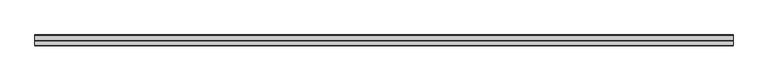
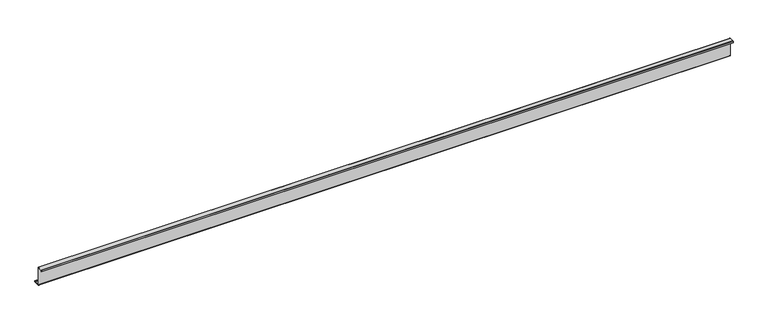
"""IFC4 building model written with IfcOpenShell, lengths in millimetres: member geometry."""

import ifcopenshell
import ifcopenshell.guid

model = None  # the IFC model being written
_history = None  # IfcOwnerHistory: only IFC2X3 demands one
_inside = {}  # id of a spatial element -> (the spatial element, [elements in it])
_under = {}  # id of a project, library or spatial element -> (it, [spatial elements below it])
_declared = {}  # id of a project -> (the project, [libraries it declares])
_typed = {}  # id of a type object -> (the type object, [elements of that type])
_made_of = {}  # id of a material, layer set ... -> (it, [elements and type objects made of it])


def new_model(schema):
    """Start an empty IFC model of exactly this schema.

    Asked for "IFC4X3", IfcOpenShell would pick the latest addendum, in which some entities
    have other attributes; the version numbers below select the first issue.
    IFC2X3 requires an IfcOwnerHistory on every rooted entity: one is made here for all.
    """
    global model, _history
    if schema == "IFC4X3":
        model = ifcopenshell.file(schema_version=(4, 3, 0, 0))
    else:
        model = ifcopenshell.file(schema=schema)
    _inside.clear()
    _under.clear()
    _declared.clear()
    _typed.clear()
    _made_of.clear()
    _history = None
    if model.schema == "IFC2X3":
        org = make("IfcOrganization", Name="unknown")
        user = make(
            "IfcPersonAndOrganization",
            ThePerson=make("IfcPerson", FamilyName="unknown"),
            TheOrganization=org,
        )
        app = make(
            "IfcApplication",
            ApplicationDeveloper=org,
            Version="unknown",
            ApplicationFullName="unknown",
            ApplicationIdentifier="unknown",
        )
        _history = make(
            "IfcOwnerHistory",
            OwningUser=user,
            OwningApplication=app,
            ChangeAction="ADDED",
            CreationDate=0,
        )
    return model


def make(cls, **values):
    """One entity of the class cls with the attributes given. An attribute that is None is left unset."""
    return model.create_entity(
        cls, **{name: value for name, value in values.items() if value is not None}
    )


def rooted(cls, **values):
    """An entity with a GlobalId (a new one), such as an element, a storey or a relation."""
    return make(cls, GlobalId=ifcopenshell.guid.new(), OwnerHistory=_history, **values)


def si_unit(unit_type, name, prefix=None):
    """IfcSIUnit, for example si_unit("LENGTHUNIT", "METRE", prefix="MILLI")."""
    return make("IfcSIUnit", UnitType=unit_type, Prefix=prefix, Name=name)


def assignment(units):
    """IfcUnitAssignment: the units of a project."""
    return None if units is None else make("IfcUnitAssignment", Units=units)


def point(xyz):
    """IfcCartesianPoint."""
    return None if xyz is None else make("IfcCartesianPoint", Coordinates=xyz)


def direction(xyz):
    """IfcDirection."""
    return None if xyz is None else make("IfcDirection", DirectionRatios=xyz)


def frame(location, z_axis=None, x_axis=None):
    """IfcAxis2Placement3D, a coordinate frame: its origin and axes. An axis left out is left unset."""
    return make(
        "IfcAxis2Placement3D",
        Location=point(location),
        Axis=direction(z_axis),
        RefDirection=direction(x_axis),
    )


def frame_2d(location, x_axis=None):
    """IfcAxis2Placement2D, a coordinate frame in the plane: its origin and x axis."""
    return make(
        "IfcAxis2Placement2D", Location=point(location), RefDirection=direction(x_axis)
    )


def origin():
    """The frame at (0, 0, 0) with its axes left unset."""
    return frame((0.0, 0.0, 0.0))


def place(relative_to, where):
    """IfcLocalPlacement: puts the frame where relative to a parent placement (None: the world)."""
    return make(
        "IfcLocalPlacement", PlacementRelTo=relative_to, RelativePlacement=where
    )


def context(
    kind, dimensions, precision=None, world=None, true_north=None, identifier=None
):
    """IfcGeometricRepresentationContext, for example the 3D "Model" context."""
    return make(
        "IfcGeometricRepresentationContext",
        ContextIdentifier=identifier,
        ContextType=kind,
        CoordinateSpaceDimension=dimensions,
        Precision=precision,
        WorldCoordinateSystem=world,
        TrueNorth=true_north,
    )


def project(units=None, contexts=None):
    """IfcProject with its units and contexts."""
    return rooted(
        "IfcProject",
        Name="project",
        RepresentationContexts=contexts,
        UnitsInContext=assignment(units),
    )


def spatial(cls, under=None, at=None, **own):
    """A site, building, storey or space (cls), placed at a placement, below another one or the project."""
    s = rooted(cls, ObjectPlacement=at, **own)
    if under is not None:
        _under.setdefault(under.id(), (under, []))[1].append(s)
    return s


def polyline(points):
    """IfcPolyline through the points."""
    return make("IfcPolyline", Points=[point(p) for p in points])


def circle_curve(where, radius):
    """IfcCircle in the frame where."""
    return make("IfcCircle", Position=where, Radius=radius)


def trimmed(basis, trim1, trim2, sense, master):
    """IfcTrimmedCurve: the piece of a basis curve between two trims."""
    return make(
        "IfcTrimmedCurve",
        BasisCurve=basis,
        Trim1=trim1,
        Trim2=trim2,
        SenseAgreement=sense,
        MasterRepresentation=master,
    )


def segment(curve, same_sense, transition):
    """IfcCompositeCurveSegment."""
    return make(
        "IfcCompositeCurveSegment",
        Transition=transition,
        SameSense=same_sense,
        ParentCurve=curve,
    )


def composite_curve(segments, self_intersect=None):
    """IfcCompositeCurve: segments joined end to end."""
    return make("IfcCompositeCurve", Segments=segments, SelfIntersect=self_intersect)


def outline(outer, holes=None, kind="AREA"):
    """IfcArbitraryClosedProfileDef: a profile drawn as a closed curve; with holes, ...WithVoids."""
    if holes is None:
        return make("IfcArbitraryClosedProfileDef", ProfileType=kind, OuterCurve=outer)
    return make(
        "IfcArbitraryProfileDefWithVoids",
        ProfileType=kind,
        OuterCurve=outer,
        InnerCurves=holes,
    )


def extrude(swept, where, along, depth):
    """IfcExtrudedAreaSolid: the profile swept, set in the frame where, extruded along a direction by depth."""
    return make(
        "IfcExtrudedAreaSolid",
        SweptArea=swept,
        Position=where,
        ExtrudedDirection=direction(along),
        Depth=depth,
    )


def shape(context_of_items, identifier, shape_type, items):
    """IfcShapeRepresentation: the items that make up one representation, for example the "Body"."""
    return make(
        "IfcShapeRepresentation",
        ContextOfItems=context_of_items,
        RepresentationIdentifier=identifier,
        RepresentationType=shape_type,
        Items=items,
    )


def source(mapping_origin, context_of_items, identifier, shape_type, items):
    """IfcRepresentationMap: a shape defined once, which mapped items show again and again."""
    return make(
        "IfcRepresentationMap",
        MappingOrigin=mapping_origin,
        MappedRepresentation=shape(context_of_items, identifier, shape_type, items),
    )


def transform(
    local_origin,
    x_axis=None,
    y_axis=None,
    z_axis=None,
    scale=None,
    scale2=None,
    scale3=None,
    uniform=True,
):
    """IfcCartesianTransformationOperator3D, or its non-uniform kind. x_axis, y_axis, z_axis: its Axis1, 2, 3."""
    if uniform:
        return make(
            "IfcCartesianTransformationOperator3D",
            Axis1=direction(x_axis),
            Axis2=direction(y_axis),
            LocalOrigin=point(local_origin),
            Scale=scale,
            Axis3=direction(z_axis),
        )
    return make(
        "IfcCartesianTransformationOperator3DnonUniform",
        Axis1=direction(x_axis),
        Axis2=direction(y_axis),
        LocalOrigin=point(local_origin),
        Scale=scale,
        Axis3=direction(z_axis),
        Scale2=scale2,
        Scale3=scale3,
    )


def mapped(mapping_source, mapping_target):
    """IfcMappedItem: shows the shape of a source again, moved by a transform."""
    return make(
        "IfcMappedItem", MappingSource=mapping_source, MappingTarget=mapping_target
    )


def made_of(thing, what):
    """Note that an element or type object is made of a material, layer set ...; save() writes the relation."""
    if what is not None:
        _made_of.setdefault(what.id(), (what, []))[1].append(thing)
    return thing


def element(
    cls,
    number,
    at=None,
    inside=None,
    cuts=None,
    type_object=None,
    material=None,
    context=None,
    identifier="Body",
    shape_type=None,
    held_by="IfcProductDefinitionShape",
    body=None,
    shapes=None,
    **own,
):
    """One element of the class cls, such as IfcWall. Its Tag is "e" and its number.

    at: its placement. inside: the storey or other place that contains it. cuts: it is an
    opening in that element (IfcRelVoidsElement). A single representation is given by context,
    identifier, shape_type and body (its items); several are given by shapes. held_by: the class
    of the entity that holds the representations. save() writes the other relations.
    """
    e = rooted(cls, Tag="e%d" % number, ObjectPlacement=at, **own)
    if body is not None:
        shapes = [shape(context, identifier, shape_type, body)]
    if shapes is not None:
        e.Representation = make(held_by, Representations=shapes)
    if inside is not None:
        _inside.setdefault(inside.id(), (inside, []))[1].append(e)
    if cuts is not None:
        rooted(
            "IfcRelVoidsElement", RelatingBuildingElement=cuts, RelatedOpeningElement=e
        )
    if type_object is not None:
        _typed.setdefault(type_object.id(), (type_object, []))[1].append(e)
    return made_of(e, material)


def aggregate(whole, parts):
    """IfcRelAggregates: a whole, such as a stair, and the parts it consists of."""
    return rooted("IfcRelAggregates", RelatingObject=whole, RelatedObjects=parts)


def save(model, path):
    """Write the relations noted so far, then the file.

    IfcRelAggregates (storeys below a building ...), IfcRelContainedInSpatialStructure (elements
    in a storey), IfcRelDefinesByType, IfcRelAssociatesMaterial and IfcRelDeclares: one each for
    every whole, place, type object, material and project.
    """
    for whole, parts in _under.values():
        aggregate(whole, parts)
    for where, things in _inside.values():
        rooted(
            "IfcRelContainedInSpatialStructure",
            RelatedElements=things,
            RelatingStructure=where,
        )
    for kind, things in _typed.values():
        rooted("IfcRelDefinesByType", RelatedObjects=things, RelatingType=kind)
    for what, things in _made_of.values():
        rooted("IfcRelAssociatesMaterial", RelatedObjects=things, RelatingMaterial=what)
    for by, libraries in _declared.values():
        rooted("IfcRelDeclares", RelatingContext=by, RelatedDefinitions=libraries)
    model.write(path)


def member_21b935c3(model_context):
    return source(origin(), model_context, "Body", "SweptSolid", [
        extrude(outline(composite_curve([segment(polyline([(0.0, -123.5), (0.0, 123.5)]), True, "CONTINUOUS"), segment(trimmed(circle_curve(frame_2d((-2.0, 123.5)), 2.0), [point((0.0, 123.5))], [point((-2.0, 125.5))], True, "CARTESIAN"), True, "CONTINUOUS"), segment(polyline([(-2.0, 125.5), (-63.5, 125.5)]), True, "CONTINUOUS"), segment(trimmed(circle_curve(frame_2d((-63.5, 123.5)), 2.0), [point((-63.5, 125.5))], [point((-65.5, 123.5))], True, "CARTESIAN"), True, "CONTINUOUS"), segment(polyline([(-65.5, 123.5), (-65.5, 107.0), (-67.0, 107.0), (-67.0, 123.5)]), True, "CONTINUOUS"), segment(trimmed(circle_curve(frame_2d((-63.5, 123.5)), 3.5), [point((-67.0, 123.5))], [point((-63.5, 127.0))], False, "CARTESIAN"), True, "CONTINUOUS"), segment(polyline([(-63.5, 127.0), (-2.0, 127.0)]), True, "CONTINUOUS"), segment(trimmed(circle_curve(frame_2d((-2.0, 123.5)), 3.5), [point((-2.0, 127.0))], [point((1.5, 123.5))], False, "CARTESIAN"), True, "CONTINUOUS"), segment(polyline([(1.5, 123.5), (1.5, -123.5)]), True, "CONTINUOUS"), segment(trimmed(circle_curve(frame_2d((3.5, -123.5)), 2.0), [point((1.5, -123.5))], [point((3.5, -125.5))], True, "CARTESIAN"), True, "CONTINUOUS"), segment(polyline([(3.5, -125.5), (75.0, -125.5)]), True, "CONTINUOUS"), segment(trimmed(circle_curve(frame_2d((75.0, -123.5)), 2.0), [point((75.0, -125.5))], [point((77.0, -123.5))], True, "CARTESIAN"), True, "CONTINUOUS"), segment(polyline([(77.0, -123.5), (77.0, -107.5), (78.5, -107.5), (78.5, -123.5)]), True, "CONTINUOUS"), segment(trimmed(circle_curve(frame_2d((75.0, -123.5)), 3.5), [point((78.5, -123.5))], [point((75.0, -127.0))], False, "CARTESIAN"), True, "CONTINUOUS"), segment(polyline([(75.0, -127.0), (3.5, -127.0)]), True, "CONTINUOUS"), segment(trimmed(circle_curve(frame_2d((3.5, -123.5)), 3.5), [point((3.5, -127.0))], [point((0.0, -123.5))], False, "CARTESIAN"), True, "CONTINUOUS")], self_intersect=False)), frame((-5040.0, 0.0, 0.0), z_axis=(1.0, 0.0, 0.0), x_axis=(0.0, 1.0, 0.0)), (0.0, 0.0, 1.0), 9330.0),
    ])


if __name__ == "__main__":
    model = new_model("IFC4")
    model_context = context("Model", 3, world=origin())
    ifc_project = project(units=[si_unit("LENGTHUNIT", "METRE", prefix="MILLI")], contexts=[model_context])
    site = spatial("IfcSite", under=ifc_project)
    building = spatial("IfcBuilding", under=site)
    placement = place(None, origin())
    member_shape = member_21b935c3(model_context)
    element("IfcMember", 1, at=placement, inside=building, context=model_context, shape_type="MappedRepresentation", body=[
        mapped(member_shape, transform((0.0, 0.0, 0.0), x_axis=(1.0, 0.0, 0.0), y_axis=(0.0, 1.0, 0.0), z_axis=(0.0, 0.0, 1.0))),
    ])
    save(model, "model.ifc")
